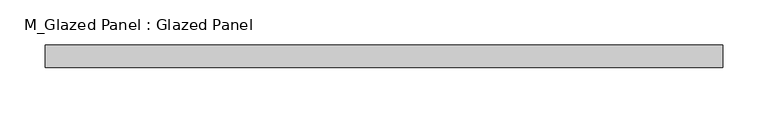
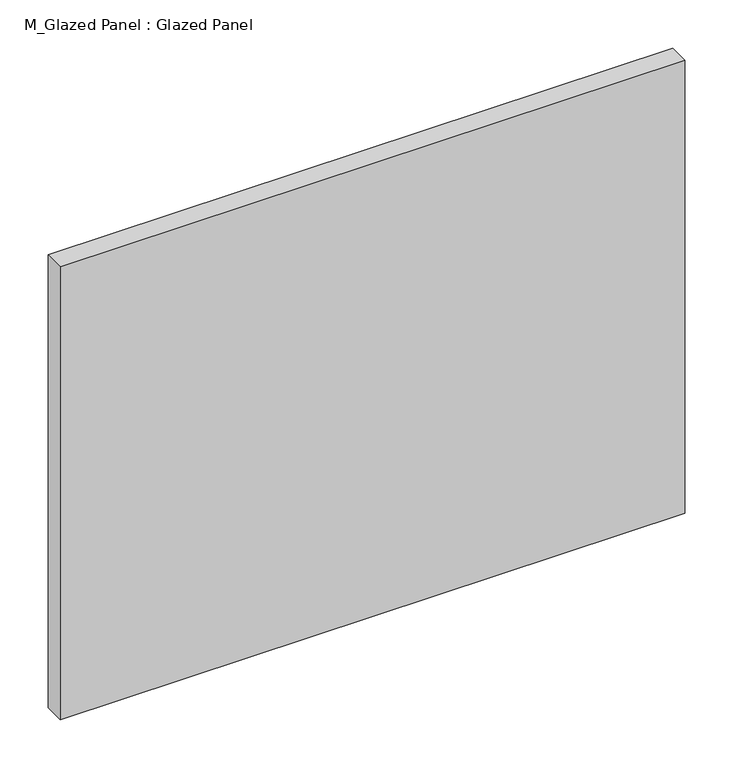
"""IFC4 building model written with IfcOpenShell, lengths in millimetres: plate geometry, M_Glazed Panel : Glazed Panel."""

import ifcopenshell
import ifcopenshell.guid

model = None  # the IFC model being written
_history = None  # IfcOwnerHistory: only IFC2X3 demands one
_inside = {}  # id of a spatial element -> (the spatial element, [elements in it])
_under = {}  # id of a project, library or spatial element -> (it, [spatial elements below it])
_declared = {}  # id of a project -> (the project, [libraries it declares])
_typed = {}  # id of a type object -> (the type object, [elements of that type])
_made_of = {}  # id of a material, layer set ... -> (it, [elements and type objects made of it])


def new_model(schema):
    """Start an empty IFC model of exactly this schema.

    Asked for "IFC4X3", IfcOpenShell would pick the latest addendum, in which some entities
    have other attributes; the version numbers below select the first issue.
    IFC2X3 requires an IfcOwnerHistory on every rooted entity: one is made here for all.
    """
    global model, _history
    if schema == "IFC4X3":
        model = ifcopenshell.file(schema_version=(4, 3, 0, 0))
    else:
        model = ifcopenshell.file(schema=schema)
    _inside.clear()
    _under.clear()
    _declared.clear()
    _typed.clear()
    _made_of.clear()
    _history = None
    if model.schema == "IFC2X3":
        org = make("IfcOrganization", Name="unknown")
        user = make(
            "IfcPersonAndOrganization",
            ThePerson=make("IfcPerson", FamilyName="unknown"),
            TheOrganization=org,
        )
        app = make(
            "IfcApplication",
            ApplicationDeveloper=org,
            Version="unknown",
            ApplicationFullName="unknown",
            ApplicationIdentifier="unknown",
        )
        _history = make(
            "IfcOwnerHistory",
            OwningUser=user,
            OwningApplication=app,
            ChangeAction="ADDED",
            CreationDate=0,
        )
    return model


def make(cls, **values):
    """One entity of the class cls with the attributes given. An attribute that is None is left unset."""
    return model.create_entity(
        cls, **{name: value for name, value in values.items() if value is not None}
    )


def rooted(cls, **values):
    """An entity with a GlobalId (a new one), such as an element, a storey or a relation."""
    return make(cls, GlobalId=ifcopenshell.guid.new(), OwnerHistory=_history, **values)


def si_unit(unit_type, name, prefix=None):
    """IfcSIUnit, for example si_unit("LENGTHUNIT", "METRE", prefix="MILLI")."""
    return make("IfcSIUnit", UnitType=unit_type, Prefix=prefix, Name=name)


def assignment(units):
    """IfcUnitAssignment: the units of a project."""
    return None if units is None else make("IfcUnitAssignment", Units=units)


def point(xyz):
    """IfcCartesianPoint."""
    return None if xyz is None else make("IfcCartesianPoint", Coordinates=xyz)


def direction(xyz):
    """IfcDirection."""
    return None if xyz is None else make("IfcDirection", DirectionRatios=xyz)


def frame(location, z_axis=None, x_axis=None):
    """IfcAxis2Placement3D, a coordinate frame: its origin and axes. An axis left out is left unset."""
    return make(
        "IfcAxis2Placement3D",
        Location=point(location),
        Axis=direction(z_axis),
        RefDirection=direction(x_axis),
    )


def origin():
    """The frame at (0, 0, 0) with its axes left unset."""
    return frame((0.0, 0.0, 0.0))


def origin_with_axes():
    """The frame at (0, 0, 0) with the z axis (0, 0, 1) and the x axis (1, 0, 0) written out."""
    return frame((0.0, 0.0, 0.0), z_axis=(0.0, 0.0, 1.0), x_axis=(1.0, 0.0, 0.0))


def place(relative_to, where):
    """IfcLocalPlacement: puts the frame where relative to a parent placement (None: the world)."""
    return make(
        "IfcLocalPlacement", PlacementRelTo=relative_to, RelativePlacement=where
    )


def context(
    kind, dimensions, precision=None, world=None, true_north=None, identifier=None
):
    """IfcGeometricRepresentationContext, for example the 3D "Model" context."""
    return make(
        "IfcGeometricRepresentationContext",
        ContextIdentifier=identifier,
        ContextType=kind,
        CoordinateSpaceDimension=dimensions,
        Precision=precision,
        WorldCoordinateSystem=world,
        TrueNorth=true_north,
    )


def project(units=None, contexts=None):
    """IfcProject with its units and contexts."""
    return rooted(
        "IfcProject",
        Name="project",
        RepresentationContexts=contexts,
        UnitsInContext=assignment(units),
    )


def spatial(cls, under=None, at=None, **own):
    """A site, building, storey or space (cls), placed at a placement, below another one or the project."""
    s = rooted(cls, ObjectPlacement=at, **own)
    if under is not None:
        _under.setdefault(under.id(), (under, []))[1].append(s)
    return s


def polyline(points):
    """IfcPolyline through the points."""
    return make("IfcPolyline", Points=[point(p) for p in points])


def outline(outer, holes=None, kind="AREA"):
    """IfcArbitraryClosedProfileDef: a profile drawn as a closed curve; with holes, ...WithVoids."""
    if holes is None:
        return make("IfcArbitraryClosedProfileDef", ProfileType=kind, OuterCurve=outer)
    return make(
        "IfcArbitraryProfileDefWithVoids",
        ProfileType=kind,
        OuterCurve=outer,
        InnerCurves=holes,
    )


def extrude(swept, where, along, depth):
    """IfcExtrudedAreaSolid: the profile swept, set in the frame where, extruded along a direction by depth."""
    return make(
        "IfcExtrudedAreaSolid",
        SweptArea=swept,
        Position=where,
        ExtrudedDirection=direction(along),
        Depth=depth,
    )


def shape(context_of_items, identifier, shape_type, items):
    """IfcShapeRepresentation: the items that make up one representation, for example the "Body"."""
    return make(
        "IfcShapeRepresentation",
        ContextOfItems=context_of_items,
        RepresentationIdentifier=identifier,
        RepresentationType=shape_type,
        Items=items,
    )


def source(mapping_origin, context_of_items, identifier, shape_type, items):
    """IfcRepresentationMap: a shape defined once, which mapped items show again and again."""
    return make(
        "IfcRepresentationMap",
        MappingOrigin=mapping_origin,
        MappedRepresentation=shape(context_of_items, identifier, shape_type, items),
    )


def transform(
    local_origin,
    x_axis=None,
    y_axis=None,
    z_axis=None,
    scale=None,
    scale2=None,
    scale3=None,
    uniform=True,
):
    """IfcCartesianTransformationOperator3D, or its non-uniform kind. x_axis, y_axis, z_axis: its Axis1, 2, 3."""
    if uniform:
        return make(
            "IfcCartesianTransformationOperator3D",
            Axis1=direction(x_axis),
            Axis2=direction(y_axis),
            LocalOrigin=point(local_origin),
            Scale=scale,
            Axis3=direction(z_axis),
        )
    return make(
        "IfcCartesianTransformationOperator3DnonUniform",
        Axis1=direction(x_axis),
        Axis2=direction(y_axis),
        LocalOrigin=point(local_origin),
        Scale=scale,
        Axis3=direction(z_axis),
        Scale2=scale2,
        Scale3=scale3,
    )


def mapped(mapping_source, mapping_target):
    """IfcMappedItem: shows the shape of a source again, moved by a transform."""
    return make(
        "IfcMappedItem", MappingSource=mapping_source, MappingTarget=mapping_target
    )


def made_of(thing, what):
    """Note that an element or type object is made of a material, layer set ...; save() writes the relation."""
    if what is not None:
        _made_of.setdefault(what.id(), (what, []))[1].append(thing)
    return thing


def element(
    cls,
    number,
    at=None,
    inside=None,
    cuts=None,
    type_object=None,
    material=None,
    context=None,
    identifier="Body",
    shape_type=None,
    held_by="IfcProductDefinitionShape",
    body=None,
    shapes=None,
    **own,
):
    """One element of the class cls, such as IfcWall. Its Tag is "e" and its number.

    at: its placement. inside: the storey or other place that contains it. cuts: it is an
    opening in that element (IfcRelVoidsElement). A single representation is given by context,
    identifier, shape_type and body (its items); several are given by shapes. held_by: the class
    of the entity that holds the representations. save() writes the other relations.
    """
    e = rooted(cls, Tag="e%d" % number, ObjectPlacement=at, **own)
    if body is not None:
        shapes = [shape(context, identifier, shape_type, body)]
    if shapes is not None:
        e.Representation = make(held_by, Representations=shapes)
    if inside is not None:
        _inside.setdefault(inside.id(), (inside, []))[1].append(e)
    if cuts is not None:
        rooted(
            "IfcRelVoidsElement", RelatingBuildingElement=cuts, RelatedOpeningElement=e
        )
    if type_object is not None:
        _typed.setdefault(type_object.id(), (type_object, []))[1].append(e)
    return made_of(e, material)


def aggregate(whole, parts):
    """IfcRelAggregates: a whole, such as a stair, and the parts it consists of."""
    return rooted("IfcRelAggregates", RelatingObject=whole, RelatedObjects=parts)


def save(model, path):
    """Write the relations noted so far, then the file.

    IfcRelAggregates (storeys below a building ...), IfcRelContainedInSpatialStructure (elements
    in a storey), IfcRelDefinesByType, IfcRelAssociatesMaterial and IfcRelDeclares: one each for
    every whole, place, type object, material and project.
    """
    for whole, parts in _under.values():
        aggregate(whole, parts)
    for where, things in _inside.values():
        rooted(
            "IfcRelContainedInSpatialStructure",
            RelatedElements=things,
            RelatingStructure=where,
        )
    for kind, things in _typed.values():
        rooted("IfcRelDefinesByType", RelatedObjects=things, RelatingType=kind)
    for what, things in _made_of.values():
        rooted("IfcRelAssociatesMaterial", RelatedObjects=things, RelatingMaterial=what)
    for by, libraries in _declared.values():
        rooted("IfcRelDeclares", RelatingContext=by, RelatedDefinitions=libraries)
    model.write(path)


def m_glazed_panel_glazed_panel_6244744c(model_context):
    return source(origin(), model_context, "Body", "SweptSolid", [
        extrude(outline(polyline([(375.0, 38.5), (-375.0, 38.5), (-375.0, 63.5), (375.0, 63.5), (375.0, 38.5)])), origin_with_axes(), (0.0, 0.0, 1.0), 575.0),
    ])


if __name__ == "__main__":
    model = new_model("IFC4")
    model_context = context("Model", 3, world=origin())
    ifc_project = project(units=[si_unit("LENGTHUNIT", "METRE", prefix="MILLI")], contexts=[model_context])
    site = spatial("IfcSite", under=ifc_project)
    building = spatial("IfcBuilding", under=site)
    placement = place(None, origin())
    m_glazed_panel_glazed_panel_shape = m_glazed_panel_glazed_panel_6244744c(model_context)
    element("IfcPlate", 1, ObjectType="M_Glazed Panel : Glazed Panel", at=placement, inside=building, context=model_context, shape_type="MappedRepresentation", body=[
        mapped(m_glazed_panel_glazed_panel_shape, transform((0.0, 0.0, 0.0), x_axis=(1.0, 0.0, 0.0), y_axis=(0.0, 1.0, 0.0), z_axis=(0.0, 0.0, 1.0))),
    ])
    save(model, "model.ifc")
